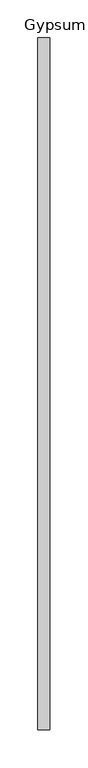
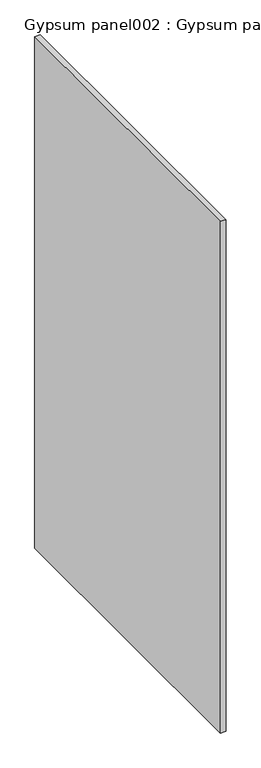
"""IFC4 building model written with IfcOpenShell, lengths in millimetres: proxy geometry, Gypsum panel002 : Gypsum panel002."""

from ifc_helpers import new_model, si_unit, frame, origin, place, context, project, spatial, polyline, outline, extrude, source, transform, mapped, element, save


def gypsum_panel002_gypsum_panel002_388affae(model_context):
    return source(origin(), model_context, "Body", "SweptSolid", [
        extrude(outline(polyline([(37487.7960167, -18662.4264268), (37503.6710167, -18662.4264268), (37503.6710167, -19576.8264268), (37487.7960167, -19576.8264268), (37487.7960167, -18662.4264268)])), frame((0.0, 0.0, 3089.0830078), z_axis=(0.0, 0.0, 1.0), x_axis=(1.0, 0.0, 0.0)), (0.0, 0.0, 1.0), 1536.7),
    ])


if __name__ == "__main__":
    model = new_model("IFC4")
    model_context = context("Model", 3, world=origin())
    ifc_project = project(units=[si_unit("LENGTHUNIT", "METRE", prefix="MILLI")], contexts=[model_context])
    site = spatial("IfcSite", under=ifc_project)
    building = spatial("IfcBuilding", under=site)
    placement = place(None, origin())
    gypsum_panel002_gypsum_panel002_shape = gypsum_panel002_gypsum_panel002_388affae(model_context)
    element("IfcBuildingElementProxy", 1, Name="Gypsum panel002 : Gypsum panel002", ObjectType="Gypsum panel002 : Gypsum panel002", at=placement, inside=building, context=model_context, shape_type="MappedRepresentation", body=[
        mapped(gypsum_panel002_gypsum_panel002_shape, transform((0.0, 0.0, 0.0), x_axis=(1.0, 0.0, 0.0), y_axis=(0.0, 1.0, 0.0), z_axis=(0.0, 0.0, 1.0))),
    ])
    save(model, "model.ifc")
